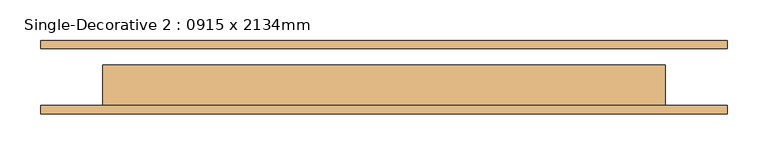
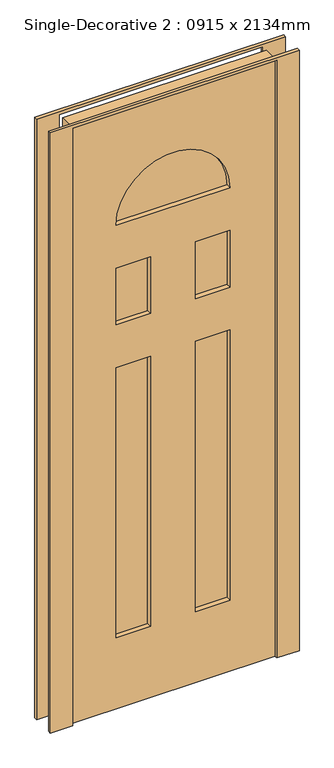
"""IFC4 building model written with IfcOpenShell, lengths in millimetres: door geometry, Single-Decorative 2 : 0915 x 2134mm."""

from ifc_helpers import new_model, si_unit, point, frame, frame_2d, origin, place, context, project, spatial, polyline, circle_curve, trimmed, segment, composite_curve, outline, extrude, source, transform, mapped, element, save


def single_decorative_2_0915_x_2134mm_f297b04a(model_context):
    return source(origin(), model_context, "Body", "SweptSolid", [
        extrude(outline(polyline([(2134.0, 345.0), (2134.0, -345.0), (0.0, -345.0), (0.0, 345.0), (2134.0, 345.0)]), holes=[polyline([(1219.3, -76.2), (254.0, -76.2), (254.0, -192.6), (1219.3, -192.6), (1219.3, -76.2)]), polyline([(1219.3, 192.6), (254.0, 192.6), (254.0, 76.2), (1219.3, 76.2), (1219.3, 192.6)]), polyline([(1371.7, -76.2), (1371.7, -192.6), (1574.9, -192.6), (1574.9, -76.2), (1371.7, -76.2)]), polyline([(1574.9, 76.2), (1574.9, 192.6), (1371.7, 192.6), (1371.7, 76.2), (1574.9, 76.2)]), composite_curve([segment(polyline([(1727.3, 192.6), (1727.3, -192.6)]), True, "CONTINUOUS"), segment(trimmed(circle_curve(frame_2d((1727.3, 0.0)), 192.6), [point((1727.3, -192.6))], [point((1727.3, 192.6))], True, "CARTESIAN"), True, "CONTINUOUS")], self_intersect=False)]), frame((0.0, -35.0, 0.0), z_axis=(0.0, 1.0, 0.0), x_axis=(0.0, 0.0, 1.0)), (0.0, 0.0, 1.0), 50.0),
        extrude(outline(polyline([(0.0, 345.0), (0.0, 421.0), (2144.0, 421.0), (2144.0, -421.0), (0.0, -421.0), (0.0, -345.0), (2134.0, -345.0), (2134.0, 345.0), (0.0, 345.0)])), frame((0.0, 35.0, 0.0), z_axis=(0.0, 1.0, 0.0), x_axis=(0.0, 0.0, 1.0)), (0.0, 0.0, 1.0), 10.0),
        extrude(outline(polyline([(2144.0, -421.0), (0.0, -421.0), (0.0, -345.0), (2134.0, -345.0), (2134.0, 345.0), (0.0, 345.0), (0.0, 421.0), (2144.0, 421.0), (2144.0, -421.0)])), frame((0.0, -45.0, 0.0), z_axis=(0.0, 1.0, 0.0), x_axis=(0.0, 0.0, 1.0)), (0.0, 0.0, 1.0), 10.0),
        extrude(outline(composite_curve([segment(trimmed(circle_curve(frame_2d((1727.3, 0.0)), 192.6), [point((1727.3, 192.6))], [point((1727.3, -192.6))], False, "CARTESIAN"), True, "CONTINUOUS"), segment(polyline([(1727.3, -192.6), (1727.3, 192.6)]), True, "CONTINUOUS")], self_intersect=False)), frame((0.0, -18.3333333, 0.0), z_axis=(0.0, 1.0, 0.0), x_axis=(0.0, 0.0, 1.0)), (0.0, 0.0, 1.0), 16.6666667),
        extrude(outline(polyline([(-192.6, -18.3333333), (-192.6, -1.6666667), (-76.2, -1.6666667), (-76.2, -18.3333333), (-192.6, -18.3333333)])), frame((0.0, 0.0, 254.0), z_axis=(0.0, 0.0, 1.0), x_axis=(1.0, 0.0, 0.0)), (0.0, 0.0, 1.0), 965.3),
        extrude(outline(polyline([(76.2, -18.3333333), (76.2, -1.6666667), (192.6, -1.6666667), (192.6, -18.3333333), (76.2, -18.3333333)])), frame((0.0, 0.0, 254.0), z_axis=(0.0, 0.0, 1.0), x_axis=(1.0, 0.0, 0.0)), (0.0, 0.0, 1.0), 965.3),
        extrude(outline(polyline([(76.2, -18.3333333), (76.2, -1.6666667), (192.6, -1.6666667), (192.6, -18.3333333), (76.2, -18.3333333)])), frame((0.0, 0.0, 1371.7), z_axis=(0.0, 0.0, 1.0), x_axis=(1.0, 0.0, 0.0)), (0.0, 0.0, 1.0), 203.2),
        extrude(outline(polyline([(-192.6, -18.3333333), (-192.6, -1.6666667), (-76.2, -1.6666667), (-76.2, -18.3333333), (-192.6, -18.3333333)])), frame((0.0, 0.0, 1371.7), z_axis=(0.0, 0.0, 1.0), x_axis=(1.0, 0.0, 0.0)), (0.0, 0.0, 1.0), 203.2),
    ])


if __name__ == "__main__":
    model = new_model("IFC4")
    model_context = context("Model", 3, world=origin())
    ifc_project = project(units=[si_unit("LENGTHUNIT", "METRE", prefix="MILLI")], contexts=[model_context])
    site = spatial("IfcSite", under=ifc_project)
    building = spatial("IfcBuilding", under=site)
    placement = place(None, origin())
    single_decorative_2_0915_x_2134mm_shape = single_decorative_2_0915_x_2134mm_f297b04a(model_context)
    element("IfcDoor", 1, ObjectType="Single-Decorative 2 : 0915 x 2134mm", at=placement, inside=building, context=model_context, shape_type="MappedRepresentation", body=[
        mapped(single_decorative_2_0915_x_2134mm_shape, transform((0.0, 0.0, 0.0), x_axis=(1.0, 0.0, 0.0), y_axis=(0.0, 1.0, 0.0), z_axis=(0.0, 0.0, 1.0))),
    ])
    save(model, "model.ifc")
